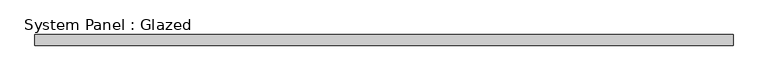
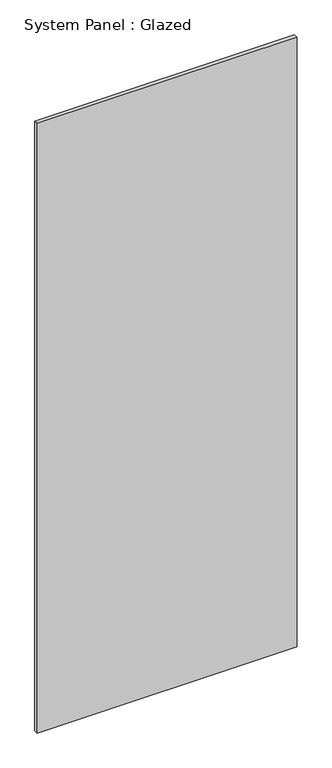
"""IFC4 building model written with IfcOpenShell, lengths in millimetres: plate geometry, System Panel : Glazed."""

from ifc_helpers import new_model, si_unit, origin, origin_with_axes, place, context, project, spatial, polyline, outline, extrude, source, transform, mapped, element, save


def system_panel_glazed_1205e694(model_context):
    return source(origin(), model_context, "Body", "SweptSolid", [
        extrude(outline(polyline([(796.6455623, 24.5), (-796.6455623, 24.5), (-796.6455623, 49.5), (796.6455623, 49.5), (796.6455623, 24.5)])), origin_with_axes(), (0.0, 0.0, 1.0), 3950.0),
    ])


if __name__ == "__main__":
    model = new_model("IFC4")
    model_context = context("Model", 3, world=origin())
    ifc_project = project(units=[si_unit("LENGTHUNIT", "METRE", prefix="MILLI")], contexts=[model_context])
    site = spatial("IfcSite", under=ifc_project)
    building = spatial("IfcBuilding", under=site)
    placement = place(None, origin())
    system_panel_glazed_shape = system_panel_glazed_1205e694(model_context)
    element("IfcPlate", 1, ObjectType="System Panel : Glazed", at=placement, inside=building, context=model_context, shape_type="MappedRepresentation", body=[
        mapped(system_panel_glazed_shape, transform((0.0, 0.0, 0.0), x_axis=(1.0, 0.0, 0.0), y_axis=(0.0, 1.0, 0.0), z_axis=(0.0, 0.0, 1.0))),
    ])
    save(model, "model.ifc")
